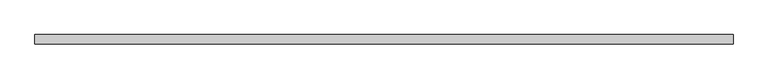
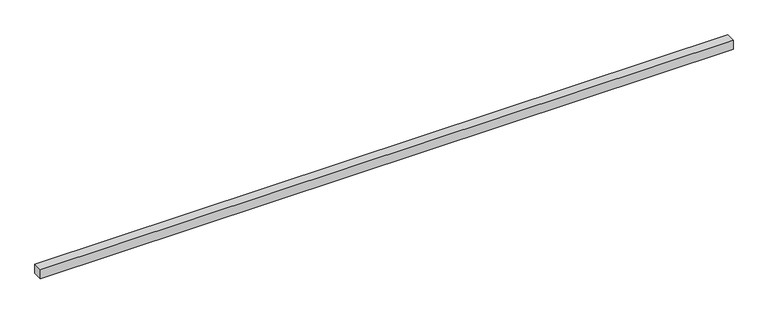
"""IFC4 building model written with IfcOpenShell, lengths in millimetres: beam geometry."""

from ifc_helpers import new_model, si_unit, frame, origin, place, context, project, spatial, polyline, outline, extrude, source, transform, mapped, element, save


def beam_6325a1ad(model_context):
    return source(origin(), model_context, "Body", "SweptSolid", [
        extrude(outline(polyline([(6012.5, 75.0), (6012.5, -75.0), (-4987.5, -75.0), (-4987.5, 75.0), (6012.5, 75.0)])), frame((0.0, 0.0, -75.0), z_axis=(0.0, 0.0, 1.0), x_axis=(1.0, 0.0, 0.0)), (0.0, 0.0, 1.0), 150.0),
    ])


if __name__ == "__main__":
    model = new_model("IFC4")
    model_context = context("Model", 3, world=origin())
    ifc_project = project(units=[si_unit("LENGTHUNIT", "METRE", prefix="MILLI")], contexts=[model_context])
    site = spatial("IfcSite", under=ifc_project)
    building = spatial("IfcBuilding", under=site)
    placement = place(None, origin())
    beam_shape = beam_6325a1ad(model_context)
    element("IfcBeam", 1, at=placement, inside=building, context=model_context, shape_type="MappedRepresentation", body=[
        mapped(beam_shape, transform((0.0, 0.0, 0.0), x_axis=(1.0, 0.0, 0.0), y_axis=(0.0, 1.0, 0.0), z_axis=(0.0, 0.0, 1.0))),
    ])
    save(model, "model.ifc")
